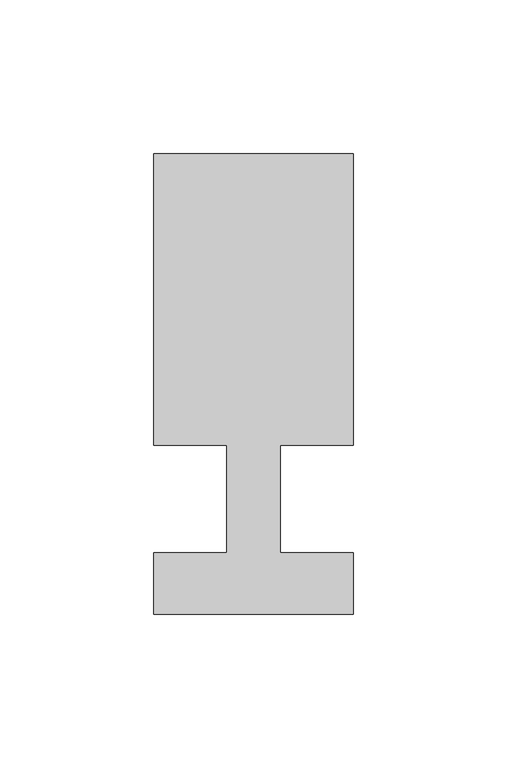
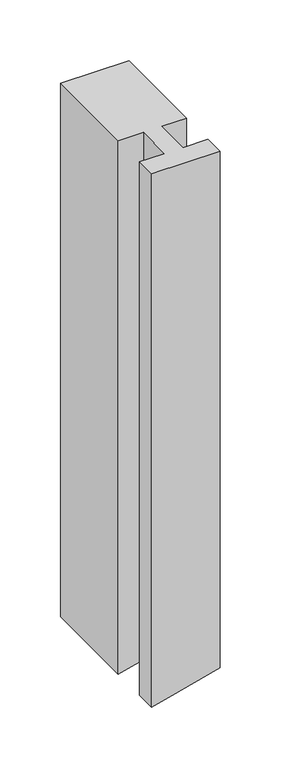
"""IFC4 building model written with IfcOpenShell, lengths in millimetres: member geometry."""

from ifc_helpers import new_model, si_unit, frame, origin, place, context, project, spatial, circle_curve, source, transform, mapped, element, save
from ifc_brep_helpers import plane_surface, cylinder_surface, advanced_brep


def member_ae259f84(model_context):
    return source(origin(), model_context, "Body", "AdvancedBrep", [
        advanced_brep(
        [(-32.5, -37.0, 0.0), (32.5, -37.0, 0.0), (32.5, -17.0, 0.0), (8.6875, -17.0, 0.0), (8.6875, 18.0, 0.0), (32.5, 18.0, 0.0), (32.5, 113.0, 0.0), (-32.5, 113.0, 0.0), (-32.5, 18.0, 0.0), (-8.6875, 18.0, 0.0), (-8.6875, -17.0, 0.0), (-32.5, -17.0, 0.0), (-32.5, -37.0, -535.6708987), (-15.9867858, -37.0, -531.5547613), (32.5, -37.0, -518.6079148), (32.5, -17.0, -518.6079148), (8.6875, -17.0, -525.1276596), (8.6875, 18.0, -525.1276596), (32.5, 18.0, -518.6079148), (32.5, 113.0, -518.6079148), (-15.9867858, 113.0, -531.5547613), (-32.5, 113.0, -535.6708987), (-32.5, 18.0, -535.6708987), (-15.9867858, 18.0, -531.5547613), (-8.6875, 18.0, -529.6880993), (-8.6875, -17.0, -529.6880993), (-15.9867858, -17.0, -531.5547613), (-32.5, -17.0, -535.6708987)],
        [
            (0, 1),
            (1, 2),
            (2, 3),
            (3, 4),
            (4, 5),
            (5, 6),
            (6, 7),
            (7, 8),
            (8, 9),
            (9, 10),
            (10, 11),
            (11, 0),
            (0, 12),
            (12, 13, circle_curve(frame((-512.5, -37.0, 1425.1861711), z_axis=(0.0, -1.0, 0.0), x_axis=(0.2459505500666984, 0.0, -0.9692823772884187)), 2018.7522008)),
            (13, 14, circle_curve(frame((-512.5, -37.0, 1425.1861711), z_axis=(0.0, -1.0, 0.0), x_axis=(0.7295271536548382, 0.0, -0.6839518492410632)), 2018.7522008)),
            (14, 1),
            (14, 15),
            (15, 2),
            (15, 16, circle_curve(frame((-512.5, -17.0, 1425.1861711), z_axis=(0.0, 1.0, 0.0), x_axis=(0.7295271536548382, 0.0, -0.6839518492410632)), 2018.7522008)),
            (16, 3),
            (16, 17),
            (17, 4),
            (17, 18, circle_curve(frame((-512.5, 18.0, 1425.1861711), z_axis=(0.0, -1.0, 0.0), x_axis=(0.7295271536548382, 0.0, -0.6839518492410632)), 2018.7522008)),
            (18, 5),
            (18, 19),
            (19, 6),
            (19, 20, circle_curve(frame((-512.5, 113.0, 1425.1861711), z_axis=(0.0, 1.0, 0.0), x_axis=(0.7295271536548382, 0.0, -0.6839518492410632)), 2018.7522008)),
            (20, 21, circle_curve(frame((-512.5, 113.0, 1425.1861711), z_axis=(0.0, 1.0, 0.0), x_axis=(0.2459505500666984, 0.0, -0.9692823772884187)), 2018.7522008)),
            (21, 7),
            (21, 22),
            (22, 8),
            (22, 23, circle_curve(frame((-512.5, 18.0, 1425.1861711), z_axis=(0.0, -1.0, 0.0), x_axis=(0.2459505500666984, 0.0, -0.9692823772884187)), 2018.7522008)),
            (23, 24, circle_curve(frame((-512.5, 18.0, 1425.1861711), z_axis=(0.0, -1.0, 0.0), x_axis=(0.7295271536548382, 0.0, -0.6839518492410632)), 2018.7522008)),
            (24, 9),
            (24, 25),
            (25, 10),
            (25, 26, circle_curve(frame((-512.5, -17.0, 1425.1861711), z_axis=(0.0, 1.0, 0.0), x_axis=(0.7295271536548382, 0.0, -0.6839518492410632)), 2018.7522008)),
            (26, 27, circle_curve(frame((-512.5, -17.0, 1425.1861711), z_axis=(0.0, 1.0, 0.0), x_axis=(0.2459505500666984, 0.0, -0.9692823772884187)), 2018.7522008)),
            (27, 11),
            (27, 12),
            (20, 23),
            (13, 26),
        ],
        [
            plane_surface(frame((0.0, -117.5808233, 0.0), z_axis=(0.0, 0.0, 1.0), x_axis=(-1.0, 0.0, 0.0))),
            plane_surface(frame((-32.5, -37.0, 0.0), z_axis=(0.0, -1.0, 0.0), x_axis=(0.0, 0.0, -1.0))),
            plane_surface(frame((32.5, -37.0, 0.0), z_axis=(1.0, 0.0, 0.0), x_axis=(0.0, 0.0, -1.0))),
            plane_surface(frame((32.5, -17.0, 0.0), z_axis=(0.0, 1.0, 0.0), x_axis=(0.0, 0.0, -1.0))),
            plane_surface(frame((8.6875, -17.0, 0.0), z_axis=(1.0, 0.0, 0.0), x_axis=(0.0, 0.0, -1.0))),
            plane_surface(frame((8.6875, 18.0, 0.0), z_axis=(0.0, -1.0, 0.0), x_axis=(0.0, 0.0, -1.0))),
            plane_surface(frame((32.5, 18.0, 0.0), z_axis=(1.0, 0.0, 0.0), x_axis=(0.0, 0.0, -1.0))),
            plane_surface(frame((32.5, 113.0, 0.0), z_axis=(0.0, 1.0, 0.0), x_axis=(0.0, 0.0, -1.0))),
            plane_surface(frame((-32.5, 113.0, 0.0), z_axis=(-1.0, 0.0, 0.0), x_axis=(0.0, 0.0, -1.0))),
            plane_surface(frame((-32.5, 18.0, 0.0), z_axis=(0.0, -1.0, 0.0), x_axis=(0.0, 0.0, -1.0))),
            plane_surface(frame((-8.6875, 18.0, 0.0), z_axis=(-1.0, 0.0, 0.0), x_axis=(0.0, 0.0, -1.0))),
            plane_surface(frame((-8.6875, -17.0, 0.0), z_axis=(0.0, 1.0, 0.0), x_axis=(0.0, 0.0, -1.0))),
            plane_surface(frame((-32.5, -17.0, 0.0), z_axis=(-1.0, 0.0, 0.0), x_axis=(0.0, 0.0, -1.0))),
            cylinder_surface(frame((-512.5, 0.0, 1425.1861711), z_axis=(0.0, 1.0, 0.0), x_axis=(0.2459505500666984, 0.0, -0.9692823772884187)), 2018.7522008),
            cylinder_surface(frame((-512.5, 0.0, 1425.1861711), z_axis=(0.0, 1.0, 0.0), x_axis=(0.7295271536548382, 0.0, -0.6839518492410632)), 2018.7522008),
        ],
        [
            (0, [[1, 2, 3, 4, 5, 6, 7, 8, 9, 10, 11, 12]]),
            (1, [[-1, 13, 14, 15, 16]]),
            (2, [[-2, -16, 17, 18]]),
            (3, [[-3, -18, 19, 20]]),
            (4, [[-4, -20, 21, 22]]),
            (5, [[-5, -22, 23, 24]]),
            (6, [[-6, -24, 25, 26]]),
            (7, [[-7, -26, 27, 28, 29]]),
            (8, [[-8, -29, 30, 31]]),
            (9, [[-9, -31, 32, 33, 34]]),
            (10, [[-10, -34, 35, 36]]),
            (11, [[-11, -36, 37, 38, 39]]),
            (12, [[-12, -39, 40, -13]]),
            (13, [[-32, -30, -28, 41]]),
            (14, [[-37, -35, -33, -41, -27, -25, -23, -21, -19, -17, -15, 42]]),
            (13, [[-40, -38, -42, -14]]),
        ],
    ),
    ])


if __name__ == "__main__":
    model = new_model("IFC4")
    model_context = context("Model", 3, world=origin())
    ifc_project = project(units=[si_unit("LENGTHUNIT", "METRE", prefix="MILLI")], contexts=[model_context])
    site = spatial("IfcSite", under=ifc_project)
    building = spatial("IfcBuilding", under=site)
    placement = place(None, origin())
    member_shape = member_ae259f84(model_context)
    element("IfcMember", 1, at=placement, inside=building, context=model_context, shape_type="MappedRepresentation", body=[
        mapped(member_shape, transform((0.0, 0.0, 0.0), x_axis=(1.0, 0.0, 0.0), y_axis=(0.0, 1.0, 0.0), z_axis=(0.0, 0.0, 1.0))),
    ])
    save(model, "model.ifc")
